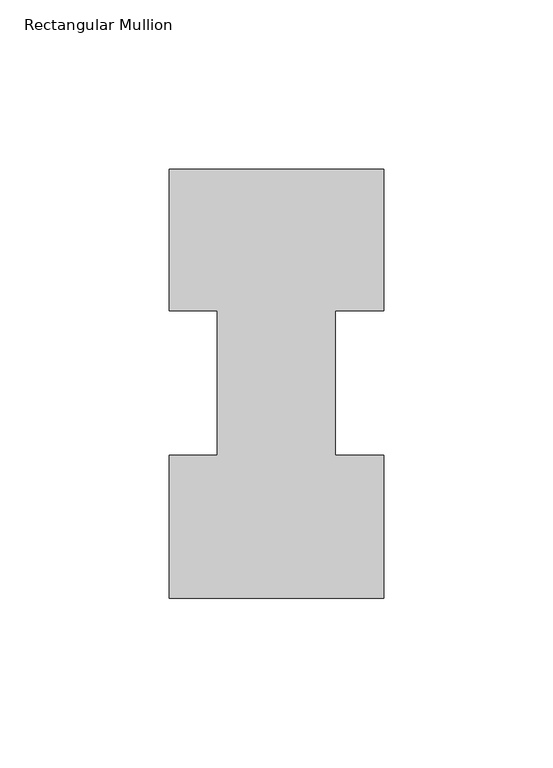
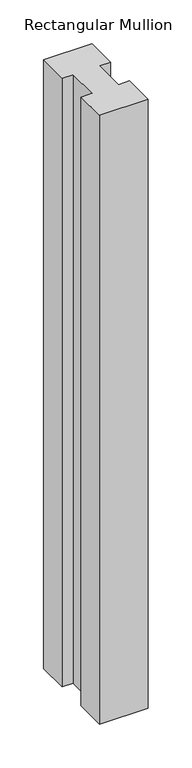
"""IFC4 building model written with IfcOpenShell, lengths in millimetres: member geometry, Rectangular Mullion."""

from ifc_helpers import new_model, si_unit, frame, origin, place, context, project, spatial, polyline, outline, extrude, source, transform, mapped, element, save


def rectangular_mullion_717d9638(model_context):
    return source(origin(), model_context, "Body", "SweptSolid", [
        extrude(outline(polyline([(31.7494574, 85.1296875), (17.4683074, 85.1296875), (17.4683074, 42.2798875), (31.7494574, 42.2798875), (31.7494574, -0.0111125), (-31.7494574, -0.0111125), (-31.7494574, 42.2798875), (-17.4644974, 42.2798875), (-17.4644974, 85.1296875), (-31.7494574, 85.1296875), (-31.7494574, 126.9888875), (31.7494574, 126.9888875), (31.7494574, 85.1296875)])), frame((0.0, 0.0, -844.55), z_axis=(0.0, 0.0, 1.0), x_axis=(1.0, 0.0, 0.0)), (0.0, 0.0, 1.0), 844.55),
    ])


if __name__ == "__main__":
    model = new_model("IFC4")
    model_context = context("Model", 3, world=origin())
    ifc_project = project(units=[si_unit("LENGTHUNIT", "METRE", prefix="MILLI")], contexts=[model_context])
    site = spatial("IfcSite", under=ifc_project)
    building = spatial("IfcBuilding", under=site)
    placement = place(None, origin())
    rectangular_mullion_shape = rectangular_mullion_717d9638(model_context)
    element("IfcMember", 1, ObjectType="Rectangular Mullion", at=placement, inside=building, context=model_context, shape_type="MappedRepresentation", body=[
        mapped(rectangular_mullion_shape, transform((0.0, 0.0, 0.0), x_axis=(1.0, 0.0, 0.0), y_axis=(0.0, 1.0, 0.0), z_axis=(0.0, 0.0, 1.0))),
    ])
    save(model, "model.ifc")
